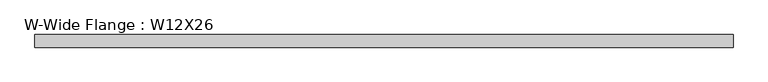
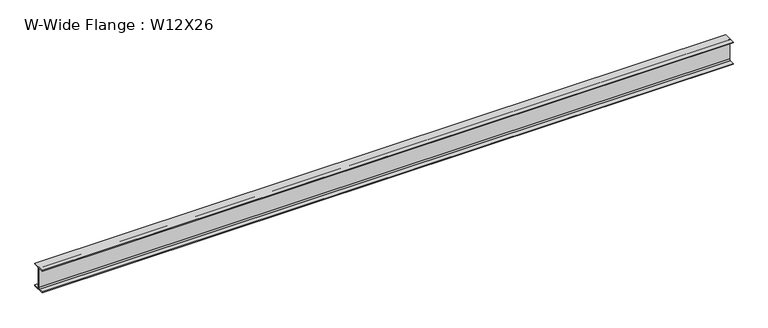
"""IFC4 building model written with IfcOpenShell, lengths in millimetres: beam geometry, W-Wide Flange : W12X26."""

from ifc_helpers import new_model, si_unit, point, frame, frame_2d, origin, place, context, project, spatial, polyline, circle_curve, trimmed, segment, composite_curve, outline, extrude, source, transform, mapped, element, save


def w_wide_flange_w12x26_fad88088(model_context):
    return source(origin(), model_context, "Body", "SweptSolid", [
        extrude(outline(composite_curve([segment(polyline([(82.4011719, -145.5539063), (82.4011719, -155.178125), (-82.4011719, -155.178125), (-82.4011719, -145.5539063), (-20.2902344, -145.5539063)]), True, "CONTINUOUS"), segment(trimmed(circle_curve(frame_2d((-20.2902344, -128.190625)), 17.3632812), [point((-20.2902344, -145.5539063))], [point((-2.9269531, -128.190625))], True, "CARTESIAN"), True, "CONTINUOUS"), segment(polyline([(-2.9269531, -128.190625), (-2.9269531, 128.190625)]), True, "CONTINUOUS"), segment(trimmed(circle_curve(frame_2d((-20.2902344, 128.190625)), 17.3632812), [point((-2.9269531, 128.190625))], [point((-20.2902344, 145.5539062))], True, "CARTESIAN"), True, "CONTINUOUS"), segment(polyline([(-20.2902344, 145.5539062), (-82.4011719, 145.5539062), (-82.4011719, 155.178125), (82.4011719, 155.178125), (82.4011719, 145.5539062), (20.2902344, 145.5539062)]), True, "CONTINUOUS"), segment(trimmed(circle_curve(frame_2d((20.2902344, 128.190625)), 17.3632812), [point((20.2902344, 145.5539062))], [point((2.9269531, 128.190625))], True, "CARTESIAN"), True, "CONTINUOUS"), segment(polyline([(2.9269531, 128.190625), (2.9269531, -128.190625)]), True, "CONTINUOUS"), segment(trimmed(circle_curve(frame_2d((20.2902344, -128.190625)), 17.3632812), [point((2.9269531, -128.190625))], [point((20.2902344, -145.5539063))], True, "CARTESIAN"), True, "CONTINUOUS"), segment(polyline([(20.2902344, -145.5539063), (82.4011719, -145.5539063)]), True, "CONTINUOUS")], self_intersect=False)), frame((-4502.2988281, 0.0, 0.0), z_axis=(1.0, 0.0, 0.0), x_axis=(0.0, 1.0, 0.0)), (0.0, 0.0, 1.0), 9099.6988281),
    ])


if __name__ == "__main__":
    model = new_model("IFC4")
    model_context = context("Model", 3, world=origin())
    ifc_project = project(units=[si_unit("LENGTHUNIT", "METRE", prefix="MILLI")], contexts=[model_context])
    site = spatial("IfcSite", under=ifc_project)
    building = spatial("IfcBuilding", under=site)
    placement = place(None, origin())
    w_wide_flange_w12x26_shape = w_wide_flange_w12x26_fad88088(model_context)
    element("IfcBeam", 1, ObjectType="W-Wide Flange : W12X26", at=placement, inside=building, context=model_context, shape_type="MappedRepresentation", body=[
        mapped(w_wide_flange_w12x26_shape, transform((0.0, 0.0, 0.0), x_axis=(1.0, 0.0, 0.0), y_axis=(0.0, 1.0, 0.0), z_axis=(0.0, 0.0, 1.0))),
    ])
    save(model, "model.ifc")
